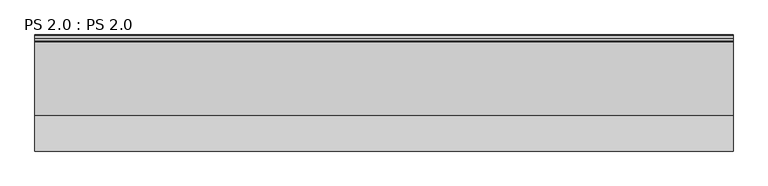
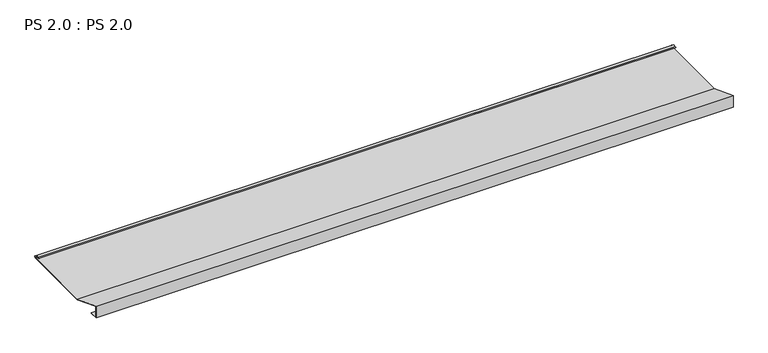
"""IFC4 building model written with IfcOpenShell, lengths in millimetres: proxy geometry, PS 2.0 : PS 2.0."""

import ifcopenshell
import ifcopenshell.guid

model = None  # the IFC model being written
_history = None  # IfcOwnerHistory: only IFC2X3 demands one
_inside = {}  # id of a spatial element -> (the spatial element, [elements in it])
_under = {}  # id of a project, library or spatial element -> (it, [spatial elements below it])
_declared = {}  # id of a project -> (the project, [libraries it declares])
_typed = {}  # id of a type object -> (the type object, [elements of that type])
_made_of = {}  # id of a material, layer set ... -> (it, [elements and type objects made of it])


def new_model(schema):
    """Start an empty IFC model of exactly this schema.

    Asked for "IFC4X3", IfcOpenShell would pick the latest addendum, in which some entities
    have other attributes; the version numbers below select the first issue.
    IFC2X3 requires an IfcOwnerHistory on every rooted entity: one is made here for all.
    """
    global model, _history
    if schema == "IFC4X3":
        model = ifcopenshell.file(schema_version=(4, 3, 0, 0))
    else:
        model = ifcopenshell.file(schema=schema)
    _inside.clear()
    _under.clear()
    _declared.clear()
    _typed.clear()
    _made_of.clear()
    _history = None
    if model.schema == "IFC2X3":
        org = make("IfcOrganization", Name="unknown")
        user = make(
            "IfcPersonAndOrganization",
            ThePerson=make("IfcPerson", FamilyName="unknown"),
            TheOrganization=org,
        )
        app = make(
            "IfcApplication",
            ApplicationDeveloper=org,
            Version="unknown",
            ApplicationFullName="unknown",
            ApplicationIdentifier="unknown",
        )
        _history = make(
            "IfcOwnerHistory",
            OwningUser=user,
            OwningApplication=app,
            ChangeAction="ADDED",
            CreationDate=0,
        )
    return model


def make(cls, **values):
    """One entity of the class cls with the attributes given. An attribute that is None is left unset."""
    return model.create_entity(
        cls, **{name: value for name, value in values.items() if value is not None}
    )


def rooted(cls, **values):
    """An entity with a GlobalId (a new one), such as an element, a storey or a relation."""
    return make(cls, GlobalId=ifcopenshell.guid.new(), OwnerHistory=_history, **values)


def si_unit(unit_type, name, prefix=None):
    """IfcSIUnit, for example si_unit("LENGTHUNIT", "METRE", prefix="MILLI")."""
    return make("IfcSIUnit", UnitType=unit_type, Prefix=prefix, Name=name)


def assignment(units):
    """IfcUnitAssignment: the units of a project."""
    return None if units is None else make("IfcUnitAssignment", Units=units)


def point(xyz):
    """IfcCartesianPoint."""
    return None if xyz is None else make("IfcCartesianPoint", Coordinates=xyz)


def direction(xyz):
    """IfcDirection."""
    return None if xyz is None else make("IfcDirection", DirectionRatios=xyz)


def frame(location, z_axis=None, x_axis=None):
    """IfcAxis2Placement3D, a coordinate frame: its origin and axes. An axis left out is left unset."""
    return make(
        "IfcAxis2Placement3D",
        Location=point(location),
        Axis=direction(z_axis),
        RefDirection=direction(x_axis),
    )


def frame_2d(location, x_axis=None):
    """IfcAxis2Placement2D, a coordinate frame in the plane: its origin and x axis."""
    return make(
        "IfcAxis2Placement2D", Location=point(location), RefDirection=direction(x_axis)
    )


def origin():
    """The frame at (0, 0, 0) with its axes left unset."""
    return frame((0.0, 0.0, 0.0))


def place(relative_to, where):
    """IfcLocalPlacement: puts the frame where relative to a parent placement (None: the world)."""
    return make(
        "IfcLocalPlacement", PlacementRelTo=relative_to, RelativePlacement=where
    )


def context(
    kind, dimensions, precision=None, world=None, true_north=None, identifier=None
):
    """IfcGeometricRepresentationContext, for example the 3D "Model" context."""
    return make(
        "IfcGeometricRepresentationContext",
        ContextIdentifier=identifier,
        ContextType=kind,
        CoordinateSpaceDimension=dimensions,
        Precision=precision,
        WorldCoordinateSystem=world,
        TrueNorth=true_north,
    )


def project(units=None, contexts=None):
    """IfcProject with its units and contexts."""
    return rooted(
        "IfcProject",
        Name="project",
        RepresentationContexts=contexts,
        UnitsInContext=assignment(units),
    )


def spatial(cls, under=None, at=None, **own):
    """A site, building, storey or space (cls), placed at a placement, below another one or the project."""
    s = rooted(cls, ObjectPlacement=at, **own)
    if under is not None:
        _under.setdefault(under.id(), (under, []))[1].append(s)
    return s


def polyline(points):
    """IfcPolyline through the points."""
    return make("IfcPolyline", Points=[point(p) for p in points])


def circle_curve(where, radius):
    """IfcCircle in the frame where."""
    return make("IfcCircle", Position=where, Radius=radius)


def trimmed(basis, trim1, trim2, sense, master):
    """IfcTrimmedCurve: the piece of a basis curve between two trims."""
    return make(
        "IfcTrimmedCurve",
        BasisCurve=basis,
        Trim1=trim1,
        Trim2=trim2,
        SenseAgreement=sense,
        MasterRepresentation=master,
    )


def segment(curve, same_sense, transition):
    """IfcCompositeCurveSegment."""
    return make(
        "IfcCompositeCurveSegment",
        Transition=transition,
        SameSense=same_sense,
        ParentCurve=curve,
    )


def composite_curve(segments, self_intersect=None):
    """IfcCompositeCurve: segments joined end to end."""
    return make("IfcCompositeCurve", Segments=segments, SelfIntersect=self_intersect)


def outline(outer, holes=None, kind="AREA"):
    """IfcArbitraryClosedProfileDef: a profile drawn as a closed curve; with holes, ...WithVoids."""
    if holes is None:
        return make("IfcArbitraryClosedProfileDef", ProfileType=kind, OuterCurve=outer)
    return make(
        "IfcArbitraryProfileDefWithVoids",
        ProfileType=kind,
        OuterCurve=outer,
        InnerCurves=holes,
    )


def extrude(swept, where, along, depth):
    """IfcExtrudedAreaSolid: the profile swept, set in the frame where, extruded along a direction by depth."""
    return make(
        "IfcExtrudedAreaSolid",
        SweptArea=swept,
        Position=where,
        ExtrudedDirection=direction(along),
        Depth=depth,
    )


def shape(context_of_items, identifier, shape_type, items):
    """IfcShapeRepresentation: the items that make up one representation, for example the "Body"."""
    return make(
        "IfcShapeRepresentation",
        ContextOfItems=context_of_items,
        RepresentationIdentifier=identifier,
        RepresentationType=shape_type,
        Items=items,
    )


def source(mapping_origin, context_of_items, identifier, shape_type, items):
    """IfcRepresentationMap: a shape defined once, which mapped items show again and again."""
    return make(
        "IfcRepresentationMap",
        MappingOrigin=mapping_origin,
        MappedRepresentation=shape(context_of_items, identifier, shape_type, items),
    )


def transform(
    local_origin,
    x_axis=None,
    y_axis=None,
    z_axis=None,
    scale=None,
    scale2=None,
    scale3=None,
    uniform=True,
):
    """IfcCartesianTransformationOperator3D, or its non-uniform kind. x_axis, y_axis, z_axis: its Axis1, 2, 3."""
    if uniform:
        return make(
            "IfcCartesianTransformationOperator3D",
            Axis1=direction(x_axis),
            Axis2=direction(y_axis),
            LocalOrigin=point(local_origin),
            Scale=scale,
            Axis3=direction(z_axis),
        )
    return make(
        "IfcCartesianTransformationOperator3DnonUniform",
        Axis1=direction(x_axis),
        Axis2=direction(y_axis),
        LocalOrigin=point(local_origin),
        Scale=scale,
        Axis3=direction(z_axis),
        Scale2=scale2,
        Scale3=scale3,
    )


def mapped(mapping_source, mapping_target):
    """IfcMappedItem: shows the shape of a source again, moved by a transform."""
    return make(
        "IfcMappedItem", MappingSource=mapping_source, MappingTarget=mapping_target
    )


def made_of(thing, what):
    """Note that an element or type object is made of a material, layer set ...; save() writes the relation."""
    if what is not None:
        _made_of.setdefault(what.id(), (what, []))[1].append(thing)
    return thing


def element(
    cls,
    number,
    at=None,
    inside=None,
    cuts=None,
    type_object=None,
    material=None,
    context=None,
    identifier="Body",
    shape_type=None,
    held_by="IfcProductDefinitionShape",
    body=None,
    shapes=None,
    **own,
):
    """One element of the class cls, such as IfcWall. Its Tag is "e" and its number.

    at: its placement. inside: the storey or other place that contains it. cuts: it is an
    opening in that element (IfcRelVoidsElement). A single representation is given by context,
    identifier, shape_type and body (its items); several are given by shapes. held_by: the class
    of the entity that holds the representations. save() writes the other relations.
    """
    e = rooted(cls, Tag="e%d" % number, ObjectPlacement=at, **own)
    if body is not None:
        shapes = [shape(context, identifier, shape_type, body)]
    if shapes is not None:
        e.Representation = make(held_by, Representations=shapes)
    if inside is not None:
        _inside.setdefault(inside.id(), (inside, []))[1].append(e)
    if cuts is not None:
        rooted(
            "IfcRelVoidsElement", RelatingBuildingElement=cuts, RelatedOpeningElement=e
        )
    if type_object is not None:
        _typed.setdefault(type_object.id(), (type_object, []))[1].append(e)
    return made_of(e, material)


def aggregate(whole, parts):
    """IfcRelAggregates: a whole, such as a stair, and the parts it consists of."""
    return rooted("IfcRelAggregates", RelatingObject=whole, RelatedObjects=parts)


def save(model, path):
    """Write the relations noted so far, then the file.

    IfcRelAggregates (storeys below a building ...), IfcRelContainedInSpatialStructure (elements
    in a storey), IfcRelDefinesByType, IfcRelAssociatesMaterial and IfcRelDeclares: one each for
    every whole, place, type object, material and project.
    """
    for whole, parts in _under.values():
        aggregate(whole, parts)
    for where, things in _inside.values():
        rooted(
            "IfcRelContainedInSpatialStructure",
            RelatedElements=things,
            RelatingStructure=where,
        )
    for kind, things in _typed.values():
        rooted("IfcRelDefinesByType", RelatedObjects=things, RelatingType=kind)
    for what, things in _made_of.values():
        rooted("IfcRelAssociatesMaterial", RelatedObjects=things, RelatingMaterial=what)
    for by, libraries in _declared.values():
        rooted("IfcRelDeclares", RelatingContext=by, RelatedDefinitions=libraries)
    model.write(path)


def ps_2_0_ps_2_0_b7b3b688(model_context):
    return source(origin(), model_context, "Body", "SweptSolid", [
        extrude(outline(composite_curve([segment(polyline([(0.0, 0.0), (0.0, 38.0), (100.0, 0.0), (325.0510156, 0.0)]), True, "CONTINUOUS"), segment(trimmed(circle_curve(frame_2d((324.3094696, 1.9153551)), 2.0538928), [point((325.0510156, 0.0))], [point((325.1748462, 3.778041))], True, "CARTESIAN"), True, "CONTINUOUS"), segment(polyline([(325.1748462, 3.778041), (308.7874714, 6.923107)]), True, "CONTINUOUS"), segment(trimmed(circle_curve(frame_2d((309.4078886, 8.6005442)), 1.7884947), [point((308.7874714, 6.923107))], [point((308.9525789, 10.3301125))], False, "CARTESIAN"), True, "CONTINUOUS"), segment(polyline([(308.9525789, 10.3301125), (316.459338, 11.6715995), (316.635255, 10.6871945), (309.1762081, 9.3542338)]), True, "CONTINUOUS"), segment(trimmed(circle_curve(frame_2d((309.4078886, 8.6005442)), 0.7884947), [point((309.1762081, 9.3542338))], [point((309.0735117, 7.8864603))], True, "CARTESIAN"), True, "CONTINUOUS"), segment(polyline([(309.0735117, 7.8864603), (325.4722719, 4.7392091)]), True, "CONTINUOUS"), segment(trimmed(circle_curve(frame_2d((324.3094696, 1.9153551)), 3.0538928), [point((325.4722719, 4.7392091))], [point((325.2188462, -1.0))], False, "CARTESIAN"), True, "CONTINUOUS"), segment(polyline([(325.2188462, -1.0), (99.8164044, -1.0), (1.0, 36.5502337), (1.0, 1.0), (25.0, 1.0), (25.0, 0.0), (0.0, 0.0)]), True, "CONTINUOUS")], self_intersect=False)), frame((0.0, 0.0, 0.0), z_axis=(1.0, 0.0, 0.0), x_axis=(0.0, 1.0, 0.0)), (0.0, 0.0, 1.0), 1968.6),
    ])


if __name__ == "__main__":
    model = new_model("IFC4")
    model_context = context("Model", 3, world=origin())
    ifc_project = project(units=[si_unit("LENGTHUNIT", "METRE", prefix="MILLI")], contexts=[model_context])
    site = spatial("IfcSite", under=ifc_project)
    building = spatial("IfcBuilding", under=site)
    placement = place(None, origin())
    ps_2_0_ps_2_0_shape = ps_2_0_ps_2_0_b7b3b688(model_context)
    element("IfcBuildingElementProxy", 1, Name="PS 2.0 : PS 2.0", ObjectType="PS 2.0 : PS 2.0", at=placement, inside=building, context=model_context, shape_type="MappedRepresentation", body=[
        mapped(ps_2_0_ps_2_0_shape, transform((0.0, 0.0, 0.0), x_axis=(1.0, 0.0, 0.0), y_axis=(0.0, 1.0, 0.0), z_axis=(0.0, 0.0, 1.0))),
    ])
    save(model, "model.ifc")
